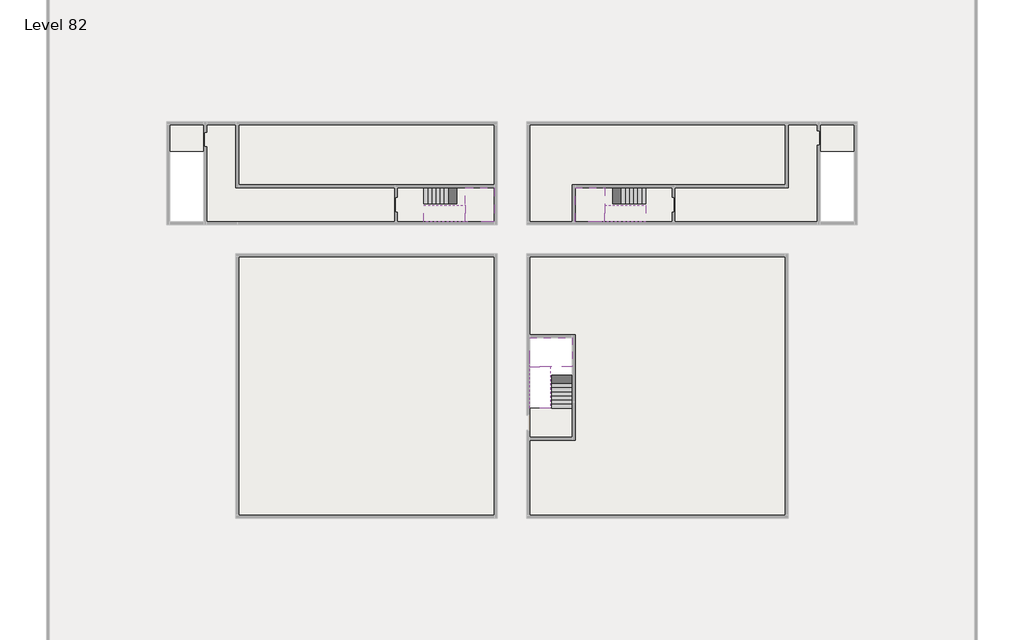
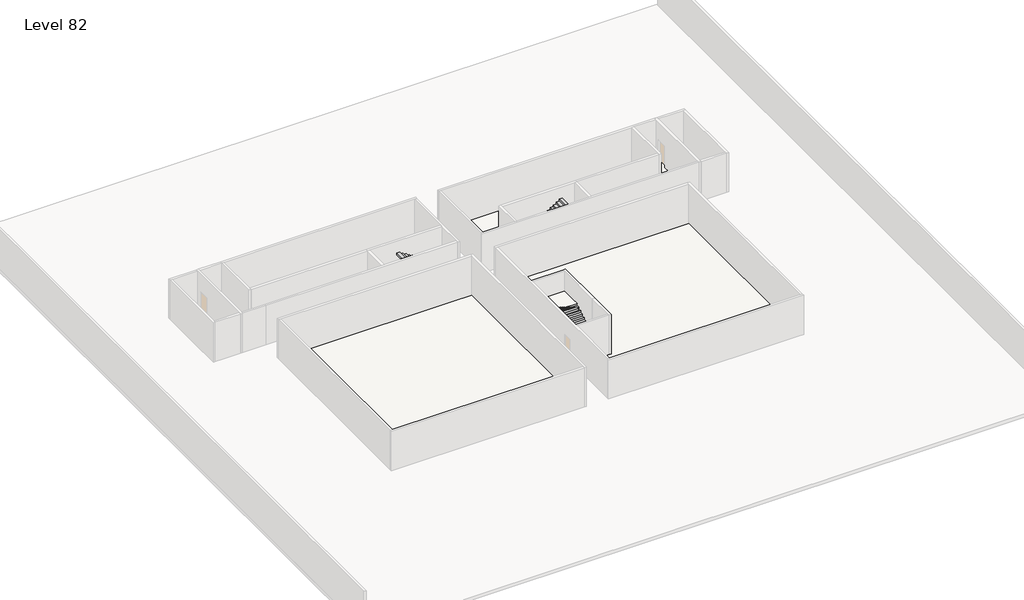
# One storey, part 2 of 2: 6 stair flights, 5 slabs.
"""IFC4 building model written with IfcOpenShell, lengths in millimetres."""

from ifc_helpers import new_model, si_unit, frame, origin, place, context, project, spatial, polyline, outline, extrude, faceted_brep, element, save

model = new_model("IFC4")

# Units and contexts
model_context = context("Model", 3, world=origin())
ifc_project = project(units=[si_unit("LENGTHUNIT", "METRE", prefix="MILLI")], contexts=[model_context])

# Site, building, storey
site = spatial("IfcSite", under=ifc_project)
building = spatial("IfcBuilding", under=site)
storey = spatial("IfcBuildingStorey", under=building, Name="Level 82", Elevation=307800.0)

# Slabs
placement = place(None, origin())
element("IfcSlab", 1, at=placement, inside=storey, context=model_context, shape_type="SweptSolid", body=[
    extrude(outline(polyline([(22990.1058784, -23918.09644), (22990.1058784, -28018.09644), (5590.1058784, -28018.09644), (5590.1058784, -23918.09644), (22990.1058784, -23918.09644)])), frame((0.0, 0.0, 307500.0), z_axis=(0.0, 0.0, 1.0), x_axis=(1.0, 0.0, 0.0)), (0.0, 0.0, 1.0), 300.0),
    extrude(outline(polyline([(42790.1058784, -23918.09644), (42790.1058784, -28018.09644), (28290.1058784, -28018.09644), (28290.1058784, -30518.09644), (25390.1058784, -30518.09644), (25390.1058784, -23918.09644), (42790.1058784, -23918.09644)])), frame((0.0, 0.0, 307500.0), z_axis=(0.0, 0.0, 1.0), x_axis=(1.0, 0.0, 0.0)), (0.0, 0.0, 1.0), 300.0),
    extrude(outline(polyline([(22990.1058784, -32918.09644), (22990.1058784, -50518.09644), (5590.1058784, -50518.09644), (5590.1058784, -32918.09644), (22990.1058784, -32918.09644)])), frame((0.0, 0.0, 307500.0), z_axis=(0.0, 0.0, 1.0), x_axis=(1.0, 0.0, 0.0)), (0.0, 0.0, 1.0), 300.0),
    extrude(outline(polyline([(25390.1058784, -38218.09644), (25390.1058784, -32918.09644), (42790.1058784, -32918.09644), (42790.1058784, -50518.09644), (25390.1058784, -50518.09644), (25390.1058784, -45418.09644), (28490.1058784, -45418.09644), (28490.1058784, -38218.09644), (25390.1058784, -38218.09644)])), frame((0.0, 0.0, 307500.0), z_axis=(0.0, 0.0, 1.0), x_axis=(1.0, 0.0, 0.0)), (0.0, 0.0, 1.0), 300.0),
])
element("IfcSlab", 2, at=placement, inside=storey, context=model_context, shape_type="Brep", body=[
    faceted_brep([(26890.1058784, -40418.09644, 309700.0), (28290.1058784, -40418.09644, 309700.0), (28290.1058784, -40338.7100038, 309700.0), (28290.1058784, -38418.09644, 309700.0), (25390.1058784, -38418.09644, 309700.0), (25390.1058784, -40217.4828763, 309700.0), (25390.1058784, -40418.09644, 309700.0), (26790.1058784, -40418.09644, 309700.0), (26890.1058784, -40418.09644, 309400.0), (26890.1058784, -40418.09644, 309351.0278478), (28290.1058784, -40418.09644, 309351.0278478), (28290.1058784, -40418.09644, 309527.2727273), (28290.1058784, -40338.7100038, 309400.0), (28290.1058784, -38418.09644, 309400.0), (25390.1058784, -38418.09644, 309400.0), (25390.1058784, -40217.4828763, 309400.0), (25390.1058784, -40418.09644, 309523.7551205), (26790.1058784, -40418.09644, 309523.7551205), (26790.1058784, -40418.09644, 309400.0), (26790.1058784, -40217.4828763, 309400.0), (26890.1058784, -40338.7100038, 309400.0)], [[[0, 1, 2, 3, 4, 5, 6, 7]], [[1, 0, 8, 9, 10, 11]], [[1, 11, 10, 12, 13, 3, 2]], [[4, 3, 13, 14]], [[4, 14, 15, 16, 6, 5]], [[7, 6, 16, 17]], [[0, 7, 17, 18, 8]], [[18, 19, 15, 14, 13, 12, 20, 8]], [[19, 18, 17]], [[20, 12, 10, 9]], [[8, 20, 9]], [[15, 19, 17, 16]]]),
])
element("IfcSlab", 3, at=placement, inside=storey, context=model_context, shape_type="Brep", body=[
    faceted_brep([(20990.1058784, -28218.09644, 309700.0), (20990.1058784, -29318.09644, 309700.0), (20990.1058784, -29418.09644, 309700.0), (20990.1058784, -30518.09644, 309700.0), (21190.7194421, -30518.09644, 309700.0), (22990.1058784, -30518.09644, 309700.0), (22990.1058784, -28218.09644, 309700.0), (21069.4923146, -28218.09644, 309700.0), (20990.1058784, -28218.09644, 309527.2727273), (20990.1058784, -28218.09644, 309351.0278478), (20990.1058784, -29318.09644, 309351.0278478), (20990.1058784, -29318.09644, 309400.0), (20990.1058784, -29418.09644, 309400.0), (20990.1058784, -29418.09644, 309523.7551205), (20990.1058784, -30518.09644, 309523.7551205), (21190.7194421, -30518.09644, 309400.0), (22990.1058784, -30518.09644, 309400.0), (22990.1058784, -28218.09644, 309400.0), (21069.4923146, -28218.09644, 309400.0), (21190.7194421, -29418.09644, 309400.0), (21069.4923146, -29318.09644, 309400.0)], [[[0, 1, 2, 3, 4, 5, 6, 7]], [[1, 0, 8, 9, 10, 11]], [[2, 1, 11, 12, 13]], [[3, 2, 13, 14]], [[3, 14, 15, 16, 5, 4]], [[6, 5, 16, 17]], [[9, 8, 0, 7, 6, 17, 18]], [[19, 12, 11, 20, 18, 17, 16, 15]], [[12, 19, 13]], [[18, 20, 10, 9]], [[20, 11, 10]], [[19, 15, 14, 13]]]),
])
element("IfcSlab", 4, at=placement, inside=storey, context=model_context, shape_type="Brep", body=[
    faceted_brep([(30490.1058784, -29318.09644, 309700.0), (30490.1058784, -28218.09644, 309700.0), (30410.7194421, -28218.09644, 309700.0), (28490.1058784, -28218.09644, 309700.0), (28490.1058784, -30518.09644, 309700.0), (30289.4923146, -30518.09644, 309700.0), (30490.1058784, -30518.09644, 309700.0), (30490.1058784, -29418.09644, 309700.0), (30490.1058784, -29318.09644, 309400.0), (30490.1058784, -29318.09644, 309351.0278478), (30490.1058784, -28218.09644, 309351.0278478), (30490.1058784, -28218.09644, 309527.2727273), (30490.1058784, -29418.09644, 309523.7551205), (30490.1058784, -29418.09644, 309400.0), (30490.1058784, -30518.09644, 309523.7551205), (28490.1058784, -30518.09644, 309400.0), (30289.4923146, -30518.09644, 309400.0), (28490.1058784, -28218.09644, 309400.0), (30410.7194421, -28218.09644, 309400.0), (30289.4923146, -29418.09644, 309400.0), (30410.7194421, -29318.09644, 309400.0)], [[[0, 1, 2, 3, 4, 5, 6, 7]], [[1, 0, 8, 9, 10, 11]], [[0, 7, 12, 13, 8]], [[7, 6, 14, 12]], [[4, 15, 16, 14, 6, 5]], [[4, 3, 17, 15]], [[1, 11, 10, 18, 17, 3, 2]], [[13, 19, 16, 15, 17, 18, 20, 8]], [[20, 18, 10, 9]], [[8, 20, 9]], [[16, 19, 12, 14]], [[19, 13, 12]]]),
])
element("IfcSlab", 5, at=placement, inside=storey, context=model_context, shape_type="SweptSolid", body=[
    extrude(outline(polyline([(28490.1058784, -28218.09644), (42990.1058784, -28218.09644), (42990.1058784, -23918.09644), (47490.1058784, -23918.09644), (47490.1058784, -25718.09644), (44990.1058784, -25718.09644), (44990.1058784, -30518.09644), (28490.1058784, -30518.09644), (28490.1058784, -28218.09644)])), frame((0.0, 0.0, 307500.0), z_axis=(0.0, 0.0, 1.0), x_axis=(1.0, 0.0, 0.0)), (0.0, 0.0, 1.0), 300.0),
    extrude(outline(polyline([(5390.1058784, -23918.09644), (5390.1058784, -28218.09644), (22990.1058784, -28218.09644), (22990.1058784, -30518.09644), (3390.1058784, -30518.09644), (3390.1058784, -25718.09644), (890.1058784, -25718.09644), (890.1058784, -23918.09644), (5390.1058784, -23918.09644)])), frame((0.0, 0.0, 307500.0), z_axis=(0.0, 0.0, 1.0), x_axis=(1.0, 0.0, 0.0)), (0.0, 0.0, 1.0), 300.0),
    extrude(outline(polyline([(28290.1058784, -43218.09644), (28290.1058784, -45218.09644), (25390.1058784, -45218.09644), (25390.1058784, -43218.09644), (28290.1058784, -43218.09644)])), frame((0.0, 0.0, 307500.0), z_axis=(0.0, 0.0, 1.0), x_axis=(1.0, 0.0, 0.0)), (0.0, 0.0, 1.0), 300.0),
])

# Stair flights
element("IfcStairFlight", 6, at=placement, inside=storey, context=model_context, shape_type="Brep", body=[
    faceted_brep([(26890.1058784, -42938.09644, 307972.7272727), (26890.1058784, -43218.09644, 307972.7272727), (28290.1058784, -43218.09644, 307972.7272727), (28290.1058784, -42938.09644, 307972.7272727), (26890.1058784, -42938.09644, 307800.0), (26890.1058784, -43218.09644, 307800.0), (28290.1058784, -43218.09644, 307800.0), (28290.1058784, -42938.09644, 307800.0), (26890.1058784, -42658.09644, 308145.4545455), (26890.1058784, -42938.09644, 308145.4545455), (28290.1058784, -42938.09644, 308145.4545455), (28290.1058784, -42658.09644, 308145.4545455), (26890.1058784, -42658.09644, 307969.209666), (26890.1058784, -42932.3942143, 307800.0), (28290.1058784, -42932.3942143, 307800.0), (28290.1058784, -42658.09644, 307969.209666), (26890.1058784, -42378.09644, 308318.1818182), (26890.1058784, -42658.09644, 308318.1818182), (28290.1058784, -42658.09644, 308318.1818182), (28290.1058784, -42378.09644, 308318.1818182), (26890.1058784, -42378.09644, 308141.9369387), (28290.1058784, -42378.09644, 308141.9369387), (26890.1058784, -42098.09644, 308490.9090909), (26890.1058784, -42378.09644, 308490.9090909), (28290.1058784, -42378.09644, 308490.9090909), (28290.1058784, -42098.09644, 308490.9090909), (26890.1058784, -42098.09644, 308314.6642114), (28290.1058784, -42098.09644, 308314.6642114), (26890.1058784, -41818.09644, 308663.6363636), (26890.1058784, -42098.09644, 308663.6363636), (28290.1058784, -42098.09644, 308663.6363636), (28290.1058784, -41818.09644, 308663.6363636), (26890.1058784, -41818.09644, 308487.3914841), (28290.1058784, -41818.09644, 308487.3914841), (26890.1058784, -41538.09644, 308836.3636364), (26890.1058784, -41818.09644, 308836.3636364), (28290.1058784, -41818.09644, 308836.3636364), (28290.1058784, -41538.09644, 308836.3636364), (26890.1058784, -41538.09644, 308660.1187569), (28290.1058784, -41538.09644, 308660.1187569), (26890.1058784, -41258.09644, 309009.0909091), (26890.1058784, -41538.09644, 309009.0909091), (28290.1058784, -41538.09644, 309009.0909091), (28290.1058784, -41258.09644, 309009.0909091), (26890.1058784, -41258.09644, 308832.8460296), (28290.1058784, -41258.09644, 308832.8460296), (26890.1058784, -40978.09644, 309181.8181818), (26890.1058784, -41258.09644, 309181.8181818), (28290.1058784, -41258.09644, 309181.8181818), (28290.1058784, -40978.09644, 309181.8181818), (26890.1058784, -40978.09644, 309005.5733023), (28290.1058784, -40978.09644, 309005.5733023), (26890.1058784, -40698.09644, 309354.5454545), (26890.1058784, -40978.09644, 309354.5454545), (28290.1058784, -40978.09644, 309354.5454545), (28290.1058784, -40698.09644, 309354.5454545), (26890.1058784, -40698.09644, 309178.3005751), (28290.1058784, -40698.09644, 309178.3005751), (26890.1058784, -40418.09644, 309527.2727273), (26890.1058784, -40698.09644, 309527.2727273), (28290.1058784, -40698.09644, 309527.2727273), (28290.1058784, -40418.09644, 309527.2727273), (26890.1058784, -40418.09644, 309400.0), (26890.1058784, -40418.09644, 309351.0278478), (28290.1058784, -40418.09644, 309351.0278478)], [[[0, 1, 2, 3]], [[1, 0, 4, 5]], [[2, 1, 5, 6]], [[3, 2, 6, 7]], [[8, 9, 10, 11]], [[4, 0, 9, 8, 12, 13]], [[0, 3, 10, 9]], [[3, 7, 14, 15, 11, 10]], [[16, 17, 18, 19]], [[17, 16, 20, 12, 8]], [[8, 11, 18, 17]], [[19, 18, 11, 15, 21]], [[22, 23, 24, 25]], [[23, 22, 26, 20, 16]], [[16, 19, 24, 23]], [[25, 24, 19, 21, 27]], [[28, 29, 30, 31]], [[29, 28, 32, 26, 22]], [[22, 25, 30, 29]], [[31, 30, 25, 27, 33]], [[34, 35, 36, 37]], [[35, 34, 38, 32, 28]], [[28, 31, 36, 35]], [[37, 36, 31, 33, 39]], [[40, 41, 42, 43]], [[41, 40, 44, 38, 34]], [[34, 37, 42, 41]], [[43, 42, 37, 39, 45]], [[46, 47, 48, 49]], [[47, 46, 50, 44, 40]], [[40, 43, 48, 47]], [[49, 48, 43, 45, 51]], [[52, 53, 54, 55]], [[53, 52, 56, 50, 46]], [[46, 49, 54, 53]], [[55, 54, 49, 51, 57]], [[58, 59, 60, 61]], [[59, 58, 62, 63, 56, 52]], [[52, 55, 60, 59]], [[61, 60, 55, 57, 64]], [[58, 61, 64, 63, 62]], [[5, 4, 13, 14, 7, 6]], [[14, 13, 12, 20, 26, 32, 38, 44, 50, 56, 63, 64, 57, 51, 45, 39, 33, 27, 21, 15]]]),
])
element("IfcStairFlight", 7, at=placement, inside=storey, context=model_context, shape_type="Brep", body=[
    faceted_brep([(26790.1058784, -40698.09644, 309872.7272727), (26790.1058784, -40418.09644, 309872.7272727), (25390.1058784, -40418.09644, 309872.7272727), (25390.1058784, -40698.09644, 309872.7272727), (26790.1058784, -40698.09644, 309696.4823932), (26790.1058784, -40418.09644, 309523.7551205), (25390.1058784, -40418.09644, 309523.7551205), (25390.1058784, -40418.09644, 309700.0), (25390.1058784, -40698.09644, 309696.4823932), (26790.1058784, -40978.09644, 310045.4545455), (26790.1058784, -40698.09644, 310045.4545455), (25390.1058784, -40698.09644, 310045.4545455), (25390.1058784, -40978.09644, 310045.4545455), (26790.1058784, -40978.09644, 309869.209666), (25390.1058784, -40978.09644, 309869.209666), (26790.1058784, -41258.09644, 310218.1818182), (26790.1058784, -40978.09644, 310218.1818182), (25390.1058784, -40978.09644, 310218.1818182), (25390.1058784, -41258.09644, 310218.1818182), (26790.1058784, -41258.09644, 310041.9369387), (25390.1058784, -41258.09644, 310041.9369387), (26790.1058784, -41538.09644, 310390.9090909), (26790.1058784, -41258.09644, 310390.9090909), (25390.1058784, -41258.09644, 310390.9090909), (25390.1058784, -41538.09644, 310390.9090909), (26790.1058784, -41538.09644, 310214.6642114), (25390.1058784, -41538.09644, 310214.6642114), (26790.1058784, -41818.09644, 310563.6363636), (26790.1058784, -41538.09644, 310563.6363636), (25390.1058784, -41538.09644, 310563.6363636), (25390.1058784, -41818.09644, 310563.6363636), (26790.1058784, -41818.09644, 310387.3914841), (25390.1058784, -41818.09644, 310387.3914841), (26790.1058784, -42098.09644, 310736.3636364), (26790.1058784, -41818.09644, 310736.3636364), (25390.1058784, -41818.09644, 310736.3636364), (25390.1058784, -42098.09644, 310736.3636364), (26790.1058784, -42098.09644, 310560.1187569), (25390.1058784, -42098.09644, 310560.1187569), (26790.1058784, -42378.09644, 310909.0909091), (26790.1058784, -42098.09644, 310909.0909091), (25390.1058784, -42098.09644, 310909.0909091), (25390.1058784, -42378.09644, 310909.0909091), (26790.1058784, -42378.09644, 310732.8460296), (25390.1058784, -42378.09644, 310732.8460296), (26790.1058784, -42658.09644, 311081.8181818), (26790.1058784, -42378.09644, 311081.8181818), (25390.1058784, -42378.09644, 311081.8181818), (25390.1058784, -42658.09644, 311081.8181818), (26790.1058784, -42658.09644, 310905.5733023), (25390.1058784, -42658.09644, 310905.5733023), (26790.1058784, -42938.09644, 311254.5454545), (26790.1058784, -42658.09644, 311254.5454545), (25390.1058784, -42658.09644, 311254.5454545), (25390.1058784, -42938.09644, 311254.5454545), (26790.1058784, -42938.09644, 311078.3005751), (25390.1058784, -42938.09644, 311078.3005751), (26790.1058784, -43218.09644, 311427.2727273), (26790.1058784, -42938.09644, 311427.2727273), (25390.1058784, -42938.09644, 311427.2727273), (25390.1058784, -43218.09644, 311427.2727273), (26790.1058784, -43218.09644, 311251.0278478), (25390.1058784, -43218.09644, 311251.0278478)], [[[0, 1, 2, 3]], [[1, 0, 4, 5]], [[2, 1, 5, 6, 7]], [[3, 2, 7, 6, 8]], [[9, 10, 11, 12]], [[10, 9, 13, 4, 0]], [[11, 10, 0, 3]], [[12, 11, 3, 8, 14]], [[15, 16, 17, 18]], [[16, 15, 19, 13, 9]], [[17, 16, 9, 12]], [[18, 17, 12, 14, 20]], [[21, 22, 23, 24]], [[22, 21, 25, 19, 15]], [[23, 22, 15, 18]], [[24, 23, 18, 20, 26]], [[27, 28, 29, 30]], [[28, 27, 31, 25, 21]], [[29, 28, 21, 24]], [[30, 29, 24, 26, 32]], [[33, 34, 35, 36]], [[34, 33, 37, 31, 27]], [[35, 34, 27, 30]], [[36, 35, 30, 32, 38]], [[39, 40, 41, 42]], [[40, 39, 43, 37, 33]], [[41, 40, 33, 36]], [[42, 41, 36, 38, 44]], [[45, 46, 47, 48]], [[46, 45, 49, 43, 39]], [[47, 46, 39, 42]], [[48, 47, 42, 44, 50]], [[51, 52, 53, 54]], [[52, 51, 55, 49, 45]], [[53, 52, 45, 48]], [[54, 53, 48, 50, 56]], [[57, 58, 59, 60]], [[58, 57, 61, 55, 51]], [[59, 58, 51, 54]], [[60, 59, 54, 56, 62]], [[57, 60, 62, 61]], [[5, 4, 13, 19, 25, 31, 37, 43, 49, 55, 61, 62, 56, 50, 44, 38, 32, 26, 20, 14, 8, 6]]]),
])
element("IfcStairFlight", 8, at=placement, inside=storey, context=model_context, shape_type="Brep", body=[
    faceted_brep([(18470.1058784, -28218.09644, 307972.7272727), (18190.1058784, -28218.09644, 307972.7272727), (18190.1058784, -29318.09644, 307972.7272727), (18470.1058784, -29318.09644, 307972.7272727), (18470.1058784, -28218.09644, 307800.0), (18190.1058784, -28218.09644, 307800.0), (18190.1058784, -29318.09644, 307800.0), (18470.1058784, -29318.09644, 307800.0), (18750.1058784, -28218.09644, 308145.4545455), (18470.1058784, -28218.09644, 308145.4545455), (18470.1058784, -29318.09644, 308145.4545455), (18750.1058784, -29318.09644, 308145.4545455), (18750.1058784, -28218.09644, 307969.209666), (18475.8081041, -28218.09644, 307800.0), (18475.8081041, -29318.09644, 307800.0), (18750.1058784, -29318.09644, 307969.209666), (19030.1058784, -28218.09644, 308318.1818182), (18750.1058784, -28218.09644, 308318.1818182), (18750.1058784, -29318.09644, 308318.1818182), (19030.1058784, -29318.09644, 308318.1818182), (19030.1058784, -28218.09644, 308141.9369387), (19030.1058784, -29318.09644, 308141.9369387), (19310.1058784, -28218.09644, 308490.9090909), (19030.1058784, -28218.09644, 308490.9090909), (19030.1058784, -29318.09644, 308490.9090909), (19310.1058784, -29318.09644, 308490.9090909), (19310.1058784, -28218.09644, 308314.6642114), (19310.1058784, -29318.09644, 308314.6642114), (19590.1058784, -28218.09644, 308663.6363636), (19310.1058784, -28218.09644, 308663.6363636), (19310.1058784, -29318.09644, 308663.6363636), (19590.1058784, -29318.09644, 308663.6363636), (19590.1058784, -28218.09644, 308487.3914841), (19590.1058784, -29318.09644, 308487.3914841), (19870.1058784, -28218.09644, 308836.3636364), (19590.1058784, -28218.09644, 308836.3636364), (19590.1058784, -29318.09644, 308836.3636364), (19870.1058784, -29318.09644, 308836.3636364), (19870.1058784, -28218.09644, 308660.1187569), (19870.1058784, -29318.09644, 308660.1187569), (20150.1058784, -28218.09644, 309009.0909091), (19870.1058784, -28218.09644, 309009.0909091), (19870.1058784, -29318.09644, 309009.0909091), (20150.1058784, -29318.09644, 309009.0909091), (20150.1058784, -28218.09644, 308832.8460296), (20150.1058784, -29318.09644, 308832.8460296), (20430.1058784, -28218.09644, 309181.8181818), (20150.1058784, -28218.09644, 309181.8181818), (20150.1058784, -29318.09644, 309181.8181818), (20430.1058784, -29318.09644, 309181.8181818), (20430.1058784, -28218.09644, 309005.5733023), (20430.1058784, -29318.09644, 309005.5733023), (20710.1058784, -28218.09644, 309354.5454545), (20430.1058784, -28218.09644, 309354.5454545), (20430.1058784, -29318.09644, 309354.5454545), (20710.1058784, -29318.09644, 309354.5454545), (20710.1058784, -28218.09644, 309178.3005751), (20710.1058784, -29318.09644, 309178.3005751), (20990.1058784, -28218.09644, 309527.2727273), (20710.1058784, -28218.09644, 309527.2727273), (20710.1058784, -29318.09644, 309527.2727273), (20990.1058784, -29318.09644, 309527.2727273), (20990.1058784, -28218.09644, 309351.0278478), (20990.1058784, -29318.09644, 309351.0278478), (20990.1058784, -29318.09644, 309400.0)], [[[0, 1, 2, 3]], [[1, 0, 4, 5]], [[2, 1, 5, 6]], [[3, 2, 6, 7]], [[8, 9, 10, 11]], [[4, 0, 9, 8, 12, 13]], [[0, 3, 10, 9]], [[3, 7, 14, 15, 11, 10]], [[16, 17, 18, 19]], [[17, 16, 20, 12, 8]], [[8, 11, 18, 17]], [[19, 18, 11, 15, 21]], [[22, 23, 24, 25]], [[23, 22, 26, 20, 16]], [[16, 19, 24, 23]], [[25, 24, 19, 21, 27]], [[28, 29, 30, 31]], [[29, 28, 32, 26, 22]], [[22, 25, 30, 29]], [[31, 30, 25, 27, 33]], [[34, 35, 36, 37]], [[35, 34, 38, 32, 28]], [[28, 31, 36, 35]], [[37, 36, 31, 33, 39]], [[40, 41, 42, 43]], [[41, 40, 44, 38, 34]], [[34, 37, 42, 41]], [[43, 42, 37, 39, 45]], [[46, 47, 48, 49]], [[47, 46, 50, 44, 40]], [[40, 43, 48, 47]], [[49, 48, 43, 45, 51]], [[52, 53, 54, 55]], [[53, 52, 56, 50, 46]], [[46, 49, 54, 53]], [[55, 54, 49, 51, 57]], [[58, 59, 60, 61]], [[59, 58, 62, 56, 52]], [[52, 55, 60, 59]], [[61, 60, 55, 57, 63, 64]], [[58, 61, 64, 63, 62]], [[5, 4, 13, 14, 7, 6]], [[14, 13, 12, 20, 26, 32, 38, 44, 50, 56, 62, 63, 57, 51, 45, 39, 33, 27, 21, 15]]]),
])
element("IfcStairFlight", 9, at=placement, inside=storey, context=model_context, shape_type="Brep", body=[
    faceted_brep([(20710.1058784, -30518.09644, 309872.7272727), (20990.1058784, -30518.09644, 309872.7272727), (20990.1058784, -29418.09644, 309872.7272727), (20710.1058784, -29418.09644, 309872.7272727), (20710.1058784, -30518.09644, 309696.4823932), (20990.1058784, -30518.09644, 309523.7551205), (20990.1058784, -30518.09644, 309700.0), (20990.1058784, -29418.09644, 309523.7551205), (20710.1058784, -29418.09644, 309696.4823932), (20430.1058784, -30518.09644, 310045.4545455), (20710.1058784, -30518.09644, 310045.4545455), (20710.1058784, -29418.09644, 310045.4545455), (20430.1058784, -29418.09644, 310045.4545455), (20430.1058784, -30518.09644, 309869.209666), (20430.1058784, -29418.09644, 309869.209666), (20150.1058784, -30518.09644, 310218.1818182), (20430.1058784, -30518.09644, 310218.1818182), (20430.1058784, -29418.09644, 310218.1818182), (20150.1058784, -29418.09644, 310218.1818182), (20150.1058784, -30518.09644, 310041.9369387), (20150.1058784, -29418.09644, 310041.9369387), (19870.1058784, -30518.09644, 310390.9090909), (20150.1058784, -30518.09644, 310390.9090909), (20150.1058784, -29418.09644, 310390.9090909), (19870.1058784, -29418.09644, 310390.9090909), (19870.1058784, -30518.09644, 310214.6642114), (19870.1058784, -29418.09644, 310214.6642114), (19590.1058784, -30518.09644, 310563.6363636), (19870.1058784, -30518.09644, 310563.6363636), (19870.1058784, -29418.09644, 310563.6363636), (19590.1058784, -29418.09644, 310563.6363636), (19590.1058784, -30518.09644, 310387.3914841), (19590.1058784, -29418.09644, 310387.3914841), (19310.1058784, -30518.09644, 310736.3636364), (19590.1058784, -30518.09644, 310736.3636364), (19590.1058784, -29418.09644, 310736.3636364), (19310.1058784, -29418.09644, 310736.3636364), (19310.1058784, -30518.09644, 310560.1187569), (19310.1058784, -29418.09644, 310560.1187569), (19030.1058784, -30518.09644, 310909.0909091), (19310.1058784, -30518.09644, 310909.0909091), (19310.1058784, -29418.09644, 310909.0909091), (19030.1058784, -29418.09644, 310909.0909091), (19030.1058784, -30518.09644, 310732.8460296), (19030.1058784, -29418.09644, 310732.8460296), (18750.1058784, -30518.09644, 311081.8181818), (19030.1058784, -30518.09644, 311081.8181818), (19030.1058784, -29418.09644, 311081.8181818), (18750.1058784, -29418.09644, 311081.8181818), (18750.1058784, -30518.09644, 310905.5733023), (18750.1058784, -29418.09644, 310905.5733023), (18470.1058784, -30518.09644, 311254.5454545), (18750.1058784, -30518.09644, 311254.5454545), (18750.1058784, -29418.09644, 311254.5454545), (18470.1058784, -29418.09644, 311254.5454545), (18470.1058784, -30518.09644, 311078.3005751), (18470.1058784, -29418.09644, 311078.3005751), (18190.1058784, -30518.09644, 311427.2727273), (18470.1058784, -30518.09644, 311427.2727273), (18470.1058784, -29418.09644, 311427.2727273), (18190.1058784, -29418.09644, 311427.2727273), (18190.1058784, -30518.09644, 311251.0278478), (18190.1058784, -29418.09644, 311251.0278478)], [[[0, 1, 2, 3]], [[1, 0, 4, 5, 6]], [[2, 1, 6, 5, 7]], [[3, 2, 7, 8]], [[9, 10, 11, 12]], [[10, 9, 13, 4, 0]], [[11, 10, 0, 3]], [[12, 11, 3, 8, 14]], [[15, 16, 17, 18]], [[16, 15, 19, 13, 9]], [[17, 16, 9, 12]], [[18, 17, 12, 14, 20]], [[21, 22, 23, 24]], [[22, 21, 25, 19, 15]], [[23, 22, 15, 18]], [[24, 23, 18, 20, 26]], [[27, 28, 29, 30]], [[28, 27, 31, 25, 21]], [[29, 28, 21, 24]], [[30, 29, 24, 26, 32]], [[33, 34, 35, 36]], [[34, 33, 37, 31, 27]], [[35, 34, 27, 30]], [[36, 35, 30, 32, 38]], [[39, 40, 41, 42]], [[40, 39, 43, 37, 33]], [[41, 40, 33, 36]], [[42, 41, 36, 38, 44]], [[45, 46, 47, 48]], [[46, 45, 49, 43, 39]], [[47, 46, 39, 42]], [[48, 47, 42, 44, 50]], [[51, 52, 53, 54]], [[52, 51, 55, 49, 45]], [[53, 52, 45, 48]], [[54, 53, 48, 50, 56]], [[57, 58, 59, 60]], [[58, 57, 61, 55, 51]], [[59, 58, 51, 54]], [[60, 59, 54, 56, 62]], [[57, 60, 62, 61]], [[5, 4, 13, 19, 25, 31, 37, 43, 49, 55, 61, 62, 56, 50, 44, 38, 32, 26, 20, 14, 8, 7]]]),
])
element("IfcStairFlight", 10, at=placement, inside=storey, context=model_context, shape_type="Brep", body=[
    faceted_brep([(33010.1058784, -29318.09644, 307972.7272727), (33290.1058784, -29318.09644, 307972.7272727), (33290.1058784, -28218.09644, 307972.7272727), (33010.1058784, -28218.09644, 307972.7272727), (33290.1058784, -28218.09644, 307800.0), (33010.1058784, -28218.09644, 307800.0), (33290.1058784, -29318.09644, 307800.0), (33010.1058784, -29318.09644, 307800.0), (32730.1058784, -29318.09644, 308145.4545455), (33010.1058784, -29318.09644, 308145.4545455), (33010.1058784, -28218.09644, 308145.4545455), (32730.1058784, -28218.09644, 308145.4545455), (33004.4036527, -28218.09644, 307800.0), (32730.1058784, -28218.09644, 307969.209666), (32730.1058784, -29318.09644, 307969.209666), (33004.4036527, -29318.09644, 307800.0), (32450.1058784, -29318.09644, 308318.1818182), (32730.1058784, -29318.09644, 308318.1818182), (32730.1058784, -28218.09644, 308318.1818182), (32450.1058784, -28218.09644, 308318.1818182), (32450.1058784, -28218.09644, 308141.9369387), (32450.1058784, -29318.09644, 308141.9369387), (32170.1058784, -29318.09644, 308490.9090909), (32450.1058784, -29318.09644, 308490.9090909), (32450.1058784, -28218.09644, 308490.9090909), (32170.1058784, -28218.09644, 308490.9090909), (32170.1058784, -28218.09644, 308314.6642114), (32170.1058784, -29318.09644, 308314.6642114), (31890.1058784, -29318.09644, 308663.6363636), (32170.1058784, -29318.09644, 308663.6363636), (32170.1058784, -28218.09644, 308663.6363636), (31890.1058784, -28218.09644, 308663.6363636), (31890.1058784, -28218.09644, 308487.3914841), (31890.1058784, -29318.09644, 308487.3914841), (31610.1058784, -29318.09644, 308836.3636364), (31890.1058784, -29318.09644, 308836.3636364), (31890.1058784, -28218.09644, 308836.3636364), (31610.1058784, -28218.09644, 308836.3636364), (31610.1058784, -28218.09644, 308660.1187569), (31610.1058784, -29318.09644, 308660.1187569), (31330.1058784, -29318.09644, 309009.0909091), (31610.1058784, -29318.09644, 309009.0909091), (31610.1058784, -28218.09644, 309009.0909091), (31330.1058784, -28218.09644, 309009.0909091), (31330.1058784, -28218.09644, 308832.8460296), (31330.1058784, -29318.09644, 308832.8460296), (31050.1058784, -29318.09644, 309181.8181818), (31330.1058784, -29318.09644, 309181.8181818), (31330.1058784, -28218.09644, 309181.8181818), (31050.1058784, -28218.09644, 309181.8181818), (31050.1058784, -28218.09644, 309005.5733023), (31050.1058784, -29318.09644, 309005.5733023), (30770.1058784, -29318.09644, 309354.5454545), (31050.1058784, -29318.09644, 309354.5454545), (31050.1058784, -28218.09644, 309354.5454545), (30770.1058784, -28218.09644, 309354.5454545), (30770.1058784, -28218.09644, 309178.3005751), (30770.1058784, -29318.09644, 309178.3005751), (30490.1058784, -29318.09644, 309527.2727273), (30770.1058784, -29318.09644, 309527.2727273), (30770.1058784, -28218.09644, 309527.2727273), (30490.1058784, -28218.09644, 309527.2727273), (30490.1058784, -28218.09644, 309351.0278478), (30490.1058784, -29318.09644, 309400.0), (30490.1058784, -29318.09644, 309351.0278478)], [[[0, 1, 2, 3]], [[3, 2, 4, 5]], [[2, 1, 6, 4]], [[1, 0, 7, 6]], [[8, 9, 10, 11]], [[3, 5, 12, 13, 11, 10]], [[0, 3, 10, 9]], [[7, 0, 9, 8, 14, 15]], [[16, 17, 18, 19]], [[19, 18, 11, 13, 20]], [[8, 11, 18, 17]], [[17, 16, 21, 14, 8]], [[22, 23, 24, 25]], [[25, 24, 19, 20, 26]], [[16, 19, 24, 23]], [[23, 22, 27, 21, 16]], [[28, 29, 30, 31]], [[31, 30, 25, 26, 32]], [[22, 25, 30, 29]], [[29, 28, 33, 27, 22]], [[34, 35, 36, 37]], [[37, 36, 31, 32, 38]], [[28, 31, 36, 35]], [[35, 34, 39, 33, 28]], [[40, 41, 42, 43]], [[43, 42, 37, 38, 44]], [[34, 37, 42, 41]], [[41, 40, 45, 39, 34]], [[46, 47, 48, 49]], [[49, 48, 43, 44, 50]], [[40, 43, 48, 47]], [[47, 46, 51, 45, 40]], [[52, 53, 54, 55]], [[55, 54, 49, 50, 56]], [[46, 49, 54, 53]], [[53, 52, 57, 51, 46]], [[58, 59, 60, 61]], [[61, 60, 55, 56, 62]], [[52, 55, 60, 59]], [[59, 58, 63, 64, 57, 52]], [[58, 61, 62, 64, 63]], [[6, 7, 15, 12, 5, 4]], [[12, 15, 14, 21, 27, 33, 39, 45, 51, 57, 64, 62, 56, 50, 44, 38, 32, 26, 20, 13]]]),
])
element("IfcStairFlight", 11, at=placement, inside=storey, context=model_context, shape_type="Brep", body=[
    faceted_brep([(30770.1058784, -29418.09644, 309872.7272727), (30490.1058784, -29418.09644, 309872.7272727), (30490.1058784, -30518.09644, 309872.7272727), (30770.1058784, -30518.09644, 309872.7272727), (30490.1058784, -30518.09644, 309700.0), (30490.1058784, -30518.09644, 309523.7551205), (30770.1058784, -30518.09644, 309696.4823932), (30490.1058784, -29418.09644, 309523.7551205), (30770.1058784, -29418.09644, 309696.4823932), (31050.1058784, -29418.09644, 310045.4545455), (30770.1058784, -29418.09644, 310045.4545455), (30770.1058784, -30518.09644, 310045.4545455), (31050.1058784, -30518.09644, 310045.4545455), (31050.1058784, -30518.09644, 309869.209666), (31050.1058784, -29418.09644, 309869.209666), (31330.1058784, -29418.09644, 310218.1818182), (31050.1058784, -29418.09644, 310218.1818182), (31050.1058784, -30518.09644, 310218.1818182), (31330.1058784, -30518.09644, 310218.1818182), (31330.1058784, -30518.09644, 310041.9369387), (31330.1058784, -29418.09644, 310041.9369387), (31610.1058784, -29418.09644, 310390.9090909), (31330.1058784, -29418.09644, 310390.9090909), (31330.1058784, -30518.09644, 310390.9090909), (31610.1058784, -30518.09644, 310390.9090909), (31610.1058784, -30518.09644, 310214.6642114), (31610.1058784, -29418.09644, 310214.6642114), (31890.1058784, -29418.09644, 310563.6363636), (31610.1058784, -29418.09644, 310563.6363636), (31610.1058784, -30518.09644, 310563.6363636), (31890.1058784, -30518.09644, 310563.6363636), (31890.1058784, -30518.09644, 310387.3914841), (31890.1058784, -29418.09644, 310387.3914841), (32170.1058784, -29418.09644, 310736.3636364), (31890.1058784, -29418.09644, 310736.3636364), (31890.1058784, -30518.09644, 310736.3636364), (32170.1058784, -30518.09644, 310736.3636364), (32170.1058784, -30518.09644, 310560.1187569), (32170.1058784, -29418.09644, 310560.1187569), (32450.1058784, -29418.09644, 310909.0909091), (32170.1058784, -29418.09644, 310909.0909091), (32170.1058784, -30518.09644, 310909.0909091), (32450.1058784, -30518.09644, 310909.0909091), (32450.1058784, -30518.09644, 310732.8460296), (32450.1058784, -29418.09644, 310732.8460296), (32730.1058784, -29418.09644, 311081.8181818), (32450.1058784, -29418.09644, 311081.8181818), (32450.1058784, -30518.09644, 311081.8181818), (32730.1058784, -30518.09644, 311081.8181818), (32730.1058784, -30518.09644, 310905.5733023), (32730.1058784, -29418.09644, 310905.5733023), (33010.1058784, -29418.09644, 311254.5454545), (32730.1058784, -29418.09644, 311254.5454545), (32730.1058784, -30518.09644, 311254.5454545), (33010.1058784, -30518.09644, 311254.5454545), (33010.1058784, -30518.09644, 311078.3005751), (33010.1058784, -29418.09644, 311078.3005751), (33290.1058784, -29418.09644, 311427.2727273), (33010.1058784, -29418.09644, 311427.2727273), (33010.1058784, -30518.09644, 311427.2727273), (33290.1058784, -30518.09644, 311427.2727273), (33290.1058784, -30518.09644, 311251.0278478), (33290.1058784, -29418.09644, 311251.0278478)], [[[0, 1, 2, 3]], [[3, 2, 4, 5, 6]], [[2, 1, 7, 5, 4]], [[1, 0, 8, 7]], [[9, 10, 11, 12]], [[12, 11, 3, 6, 13]], [[11, 10, 0, 3]], [[10, 9, 14, 8, 0]], [[15, 16, 17, 18]], [[18, 17, 12, 13, 19]], [[17, 16, 9, 12]], [[16, 15, 20, 14, 9]], [[21, 22, 23, 24]], [[24, 23, 18, 19, 25]], [[23, 22, 15, 18]], [[22, 21, 26, 20, 15]], [[27, 28, 29, 30]], [[30, 29, 24, 25, 31]], [[29, 28, 21, 24]], [[28, 27, 32, 26, 21]], [[33, 34, 35, 36]], [[36, 35, 30, 31, 37]], [[35, 34, 27, 30]], [[34, 33, 38, 32, 27]], [[39, 40, 41, 42]], [[42, 41, 36, 37, 43]], [[41, 40, 33, 36]], [[40, 39, 44, 38, 33]], [[45, 46, 47, 48]], [[48, 47, 42, 43, 49]], [[47, 46, 39, 42]], [[46, 45, 50, 44, 39]], [[51, 52, 53, 54]], [[54, 53, 48, 49, 55]], [[53, 52, 45, 48]], [[52, 51, 56, 50, 45]], [[57, 58, 59, 60]], [[60, 59, 54, 55, 61]], [[59, 58, 51, 54]], [[58, 57, 62, 56, 51]], [[57, 60, 61, 62]], [[7, 8, 14, 20, 26, 32, 38, 44, 50, 56, 62, 61, 55, 49, 43, 37, 31, 25, 19, 13, 6, 5]]]),
])

save(model, "model.ifc")
